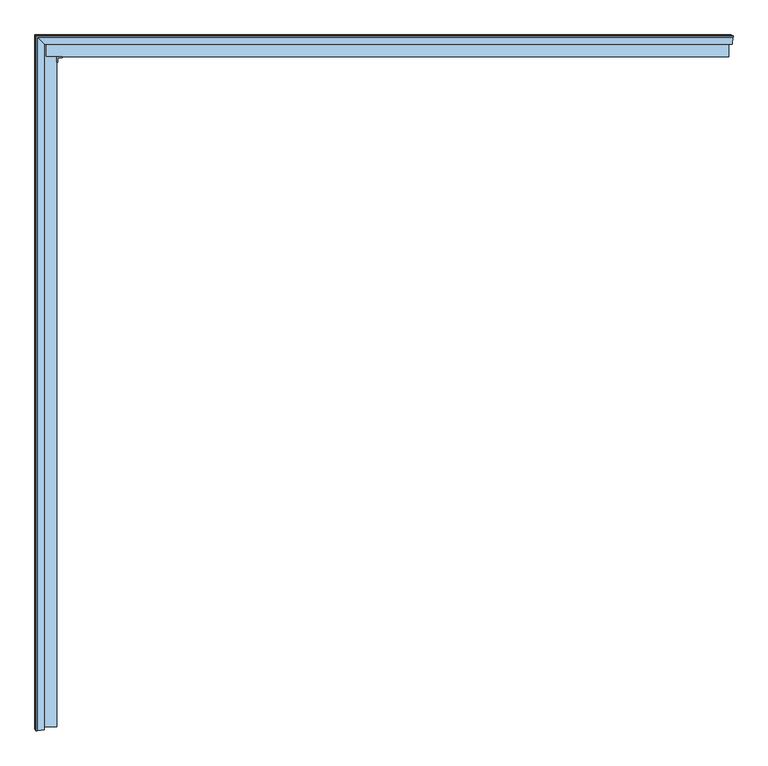
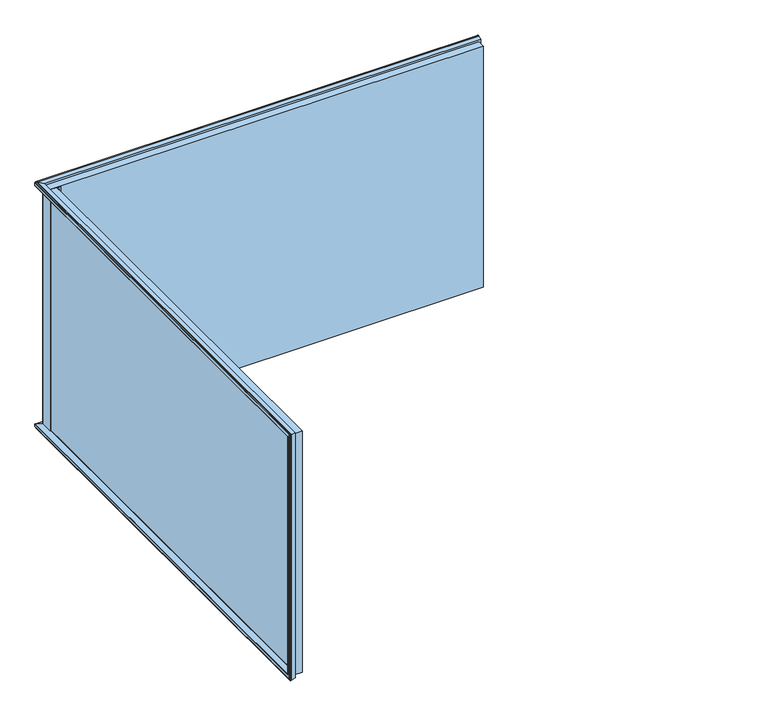
"""IFC4 building model written with IfcOpenShell, lengths in millimetres: window geometry."""

from ifc_helpers import new_model, si_unit, frame, origin, place, context, project, spatial, polyline, circle_curve, ellipse_curve, outline, extrude, source, transform, mapped, element, save
from ifc_brep_helpers import plane_surface, cylinder_surface, revolved_surface, advanced_brep


def window_ba0e3c48(model_context):
    return source(origin(), model_context, "Body", "SolidModel", [
        advanced_brep(
        [(-801.9868914, 129.3877115, 861.9868914), (-801.9868914, 128.0, 861.9868914), (-801.9868914, 128.0, 1938.0131086), (-801.9868914, 129.3877115, 1938.0131086), (-2616.8447974, 129.3877115, 861.9868914), (-2616.8447974, 129.0999079, 861.9868914), (-2669.8448004, 129.0999079, 861.9868914), (-2669.8448004, 76.0999848, 861.9868914), (-2670.1325951, 76.0999848, 861.9868914), (-2670.1325951, -1732.6542957, 861.9868914), (-2668.7448836, -1732.6542957, 861.9868914), (-2668.7448836, 128.0, 861.9868914), (-794.8313687, 152.7923717, 854.8313687), (-2693.5372553, 152.7923717, 854.8313687), (-2672.3590095, 131.6141259, 861.3062082), (-2670.9448004, 132.1999079, 861.1271167), (-2616.8447974, 132.1999079, 861.1271167), (-2616.8447974, 129.0999079, 1938.0131086), (-2616.8447974, 132.1999079, 1938.8728833), (-2616.8447974, 129.3877115, 1938.0131086), (-2669.8448004, 129.0999079, 1938.0131086), (-2669.8448004, 76.0999848, 1938.0131086), (-2672.9448004, 76.0999848, 1938.872886), (-2672.9448004, 76.0999848, 861.127114), (-2670.1325951, 76.0999848, 1938.0131086), (-2693.5372553, -1739.8098184, 854.8313687), (-2672.9448004, 130.1999079, 861.127114), (-2670.1325951, -1732.6542957, 1938.0131086), (-2668.7448836, -1732.6542957, 1938.0131086), (-2668.7448836, 128.0, 1938.0131086), (-2668.7448836, 128.0, 1960.7979572), (-2668.7448836, -1755.4391444, 1960.7979572), (-2668.7448836, -1755.4391444, 839.2020428), (-2668.7448836, 128.0, 839.2020428), (-779.2020428, 128.0, 839.2020428), (-779.2020428, 128.0, 1960.7979572), (-777.2478639, 146.9855585, 837.2478639), (-777.2478639, 146.9855585, 1962.7521361), (-2687.7304421, 146.9855585, 837.2478639), (-2687.7304421, -1757.3933232, 837.2478639), (-2687.7304421, 146.9855585, 836.45), (-776.45, 146.9855585, 836.45), (-776.45, 146.9855585, 1963.55), (-2687.7304421, 146.9855585, 1963.55), (-2687.7304421, 146.9855585, 1962.7521361), (-776.45, 151.0, 836.45), (-776.45, 151.0, 1963.55), (-2687.7304421, -1758.1911871, 836.45), (-2691.7448836, -1758.1911871, 836.45), (-2691.7448836, 151.0, 836.45), (-2687.7304421, -1757.3933232, 1962.7521361), (-2687.7304421, -1758.1911871, 1963.55), (-2691.7448836, -1758.1911871, 1963.55), (-2692.2448836, -1757.6911871, 836.95), (-2692.2448836, 151.5, 836.95), (-776.95, 151.5, 836.95), (-2692.2448836, 151.5, 840.7786866), (-780.7786866, 151.5, 840.7786866), (-780.7786866, 151.5, 1959.2213134), (-2692.2448836, 151.5, 1959.2213134), (-2692.2448836, 151.5, 1963.05), (-776.95, 151.5, 1963.05), (-780.7786866, 152.5, 840.7786866), (-780.7786866, 152.5, 1959.2213134), (-2692.2448836, -1753.8625005, 840.7786866), (-2693.2448836, -1753.8625005, 840.7786866), (-2693.2448836, 152.5, 840.7786866), (-2692.2448836, -1757.6911871, 1963.05), (-2692.2448836, -1753.8625005, 1959.2213134), (-2693.2448836, -1753.8625005, 1959.2213134), (-2694.2448836, -1752.8625005, 841.7786866), (-2694.2448836, 153.5, 841.7786866), (-781.7786866, 153.5, 841.7786866), (-2694.2448836, 153.5, 853.875064), (-793.875064, 153.5, 853.875064), (-793.875064, 153.5, 1946.124936), (-2694.2448836, 153.5, 1946.124936), (-2694.2448836, 153.5, 1958.2213134), (-781.7786866, 153.5, 1958.2213134), (-794.8313687, 152.7923717, 1945.1686313), (-2694.2448836, -1740.7661232, 853.875064), (-2672.9448004, 130.1999079, 1938.872886), (-2672.3590095, 131.6141259, 1938.6937918), (-2670.9448004, 132.1999079, 1938.8728833), (-2694.2448836, -1752.8625005, 1958.2213134), (-2694.2448836, -1740.7661232, 1946.124936), (-2693.5372553, -1739.8098184, 1945.1686313), (-2691.7448836, 151.0, 1963.55), (-2693.2448836, 152.5, 1959.2213134), (-2693.5372553, 152.7923717, 1945.1686313)],
        [
            (0, 1),
            (1, 2),
            (2, 3),
            (3, 0),
            (0, 4),
            (4, 5),
            (5, 6),
            (6, 7),
            (7, 8),
            (8, 9),
            (9, 10),
            (10, 11),
            (11, 1),
            (12, 13),
            (13, 14),
            (14, 15, ellipse_curve(frame((-2670.9448004, 130.1999079, 861.7385781), z_axis=(0.0, -0.29237170472279733, -0.956304755963017), x_axis=(0.0, -0.956304755963017, 0.292371704722797)), 2.0913835, 2.0)),
            (15, 16),
            (16, 4),
            (0, 12),
            (17, 5),
            (16, 18),
            (18, 19),
            (19, 17),
            (20, 6),
            (17, 20),
            (21, 7),
            (20, 21),
            (22, 23),
            (23, 8),
            (21, 24),
            (24, 22),
            (13, 25),
            (25, 9),
            (23, 26),
            (26, 14, ellipse_curve(frame((-2670.9448004, 130.1999079, 861.7385753), z_axis=(0.29237170472279733, 0.0, -0.956304755963017), x_axis=(0.956304755963017, 0.0, 0.292371704722797)), 2.0913835, 2.0)),
            (9, 27),
            (27, 28),
            (28, 10),
            (28, 29),
            (29, 30),
            (30, 31),
            (31, 32),
            (32, 33),
            (33, 11),
            (33, 34),
            (34, 35),
            (35, 30),
            (29, 2),
            (34, 36),
            (36, 37),
            (37, 35),
            (33, 38),
            (38, 36),
            (32, 39),
            (39, 38),
            (38, 40),
            (40, 41),
            (41, 42),
            (42, 43),
            (43, 44),
            (44, 37),
            (41, 45),
            (45, 46),
            (46, 42),
            (40, 47),
            (47, 48),
            (48, 49),
            (49, 45),
            (39, 50),
            (50, 44),
            (43, 51),
            (51, 47),
            (51, 52),
            (52, 48),
            (48, 53, ellipse_curve(frame((-2691.7448836, -1757.6911871, 836.95), z_axis=(0.0, 0.7071067811865475, -0.7071067811865475), x_axis=(0.0, 0.7071067811865476, 0.7071067811865474)), 0.7071068, 0.5)),
            (53, 54),
            (54, 49, ellipse_curve(frame((-2691.7448836, 151.0, 836.95), z_axis=(-0.7071067811865475, -0.7071067811865475, 0.0), x_axis=(-0.7071067811865474, 0.7071067811865476, 0.0)), 0.7071068, 0.5)),
            (54, 55),
            (55, 45, ellipse_curve(frame((-776.95, 151.0, 836.95), z_axis=(-0.7071067811865475, 0.0, -0.7071067811865475), x_axis=(0.7071067811865476, 0.0, -0.7071067811865474)), 0.7071068, 0.5)),
            (54, 56),
            (56, 57),
            (57, 58),
            (58, 59),
            (59, 60),
            (60, 61),
            (61, 55),
            (61, 46, ellipse_curve(frame((-776.95, 151.0, 1963.05), z_axis=(0.7071067811865475, 0.0, -0.7071067811865475), x_axis=(0.7071067811865474, 0.0, 0.7071067811865476)), 0.7071068, 0.5)),
            (57, 62),
            (62, 63),
            (63, 58),
            (56, 64),
            (64, 65),
            (65, 66),
            (66, 62),
            (53, 67),
            (67, 60),
            (59, 68),
            (68, 64),
            (68, 69),
            (69, 65),
            (65, 70, ellipse_curve(frame((-2693.2448836, -1752.8625005, 841.7786866), z_axis=(0.0, 0.7071067811865475, -0.7071067811865475), x_axis=(0.0, 0.7071067811865476, 0.7071067811865474)), 1.4142136, 1.0)),
            (70, 71),
            (71, 66, ellipse_curve(frame((-2693.2448836, 152.5, 841.7786866), z_axis=(-0.7071067811865475, -0.7071067811865475, 0.0), x_axis=(-0.7071067811865474, 0.7071067811865476, 0.0)), 1.4142136, 1.0)),
            (71, 72),
            (72, 62, ellipse_curve(frame((-781.7786866, 152.5, 841.7786866), z_axis=(-0.7071067811865475, 0.0, -0.7071067811865475), x_axis=(0.7071067811865476, 0.0, -0.7071067811865474)), 1.4142136, 1.0)),
            (71, 73),
            (73, 74),
            (74, 75),
            (75, 76),
            (76, 77),
            (77, 78),
            (78, 72),
            (78, 63, ellipse_curve(frame((-781.7786866, 152.5, 1958.2213134), z_axis=(0.7071067811865475, 0.0, -0.7071067811865475), x_axis=(0.7071067811865474, 0.0, 0.7071067811865476)), 1.4142136, 1.0)),
            (74, 12, ellipse_curve(frame((-793.875064, 152.5, 853.875064), z_axis=(0.7071067811865475, 0.0, 0.7071067811865475), x_axis=(-0.7071067811865474, 0.0, 0.7071067811865476)), 1.4142136, 1.0)),
            (12, 79),
            (79, 75, ellipse_curve(frame((-793.875064, 152.5, 1946.124936), z_axis=(0.7071067811865475, 0.0, -0.7071067811865475), x_axis=(0.7071067811865474, 0.0, 0.7071067811865476)), 1.4142136, 1.0)),
            (73, 13, ellipse_curve(frame((-2693.2448836, 152.5, 853.875064), z_axis=(0.7071067811865475, 0.7071067811865475, 0.0), x_axis=(0.7071067811865476, -0.7071067811865474, 0.0)), 1.4142136, 1.0)),
            (73, 80),
            (80, 25, ellipse_curve(frame((-2693.2448836, -1740.7661232, 853.875064), z_axis=(0.0, 0.7071067811865475, -0.7071067811865475), x_axis=(0.0, 0.7071067811865476, 0.7071067811865474)), 1.4142136, 1.0)),
            (26, 81),
            (81, 82, ellipse_curve(frame((-2670.9448004, 130.1999079, 1938.2614247), z_axis=(-0.29237170472279733, 0.0, -0.956304755963017), x_axis=(-0.956304755963017, 0.0, 0.292371704722797)), 2.0913835, 2.0)),
            (82, 83, ellipse_curve(frame((-2670.9448004, 130.1999079, 1938.2614219), z_axis=(0.0, 0.29237170472279733, -0.956304755963017), x_axis=(0.0, 0.956304755963017, 0.292371704722797)), 2.0913835, 2.0)),
            (83, 15),
            (83, 18),
            (3, 79),
            (31, 50),
            (52, 67, ellipse_curve(frame((-2691.7448836, -1757.6911871, 1963.05), z_axis=(0.0, -0.7071067811865475, -0.7071067811865475), x_axis=(0.0, 0.7071067811865474, -0.7071067811865476)), 0.7071068, 0.5)),
            (69, 84, ellipse_curve(frame((-2693.2448836, -1752.8625005, 1958.2213134), z_axis=(0.0, -0.7071067811865475, -0.7071067811865475), x_axis=(0.0, 0.7071067811865474, -0.7071067811865476)), 1.4142136, 1.0)),
            (84, 70),
            (84, 77),
            (76, 85),
            (85, 80),
            (85, 86, ellipse_curve(frame((-2693.2448836, -1740.7661232, 1946.124936), z_axis=(0.0, -0.7071067811865475, -0.7071067811865475), x_axis=(0.0, 0.7071067811865474, -0.7071067811865476)), 1.4142136, 1.0)),
            (86, 25),
            (86, 27),
            (22, 81),
            (27, 24),
            (19, 3),
            (30, 44),
            (46, 87),
            (87, 52),
            (87, 60, ellipse_curve(frame((-2691.7448836, 151.0, 1963.05), z_axis=(-0.7071067811865475, -0.7071067811865475, 0.0), x_axis=(0.7071067811865474, -0.7071067811865476, 0.0)), 0.7071068, 0.5)),
            (63, 88),
            (88, 69),
            (88, 77, ellipse_curve(frame((-2693.2448836, 152.5, 1958.2213134), z_axis=(-0.7071067811865475, -0.7071067811865475, 0.0), x_axis=(0.7071067811865474, -0.7071067811865476, 0.0)), 1.4142136, 1.0)),
            (76, 89, ellipse_curve(frame((-2693.2448836, 152.5, 1946.124936), z_axis=(-0.7071067811865475, -0.7071067811865475, 0.0), x_axis=(0.7071067811865474, -0.7071067811865476, 0.0)), 1.4142136, 1.0)),
            (89, 86),
            (89, 82),
            (79, 89),
        ],
        [
            plane_surface(frame((-801.9868914, 129.3877115, 1938.0131086), z_axis=(-1.0, 0.0, 0.0), x_axis=(0.0, 0.0, -1.0))),
            plane_surface(frame((-801.9868914, 129.3877115, 861.9868914), z_axis=(0.0, 0.0, 1.0), x_axis=(-1.0, 0.0, 0.0))),
            plane_surface(frame((-794.8313687, 152.7923717, 854.8313687), z_axis=(0.0, 0.29237170472279733, 0.956304755963017), x_axis=(-1.0, 0.0, 0.0))),
            plane_surface(frame((-2616.8447974, 129.0999079, 1952.0), z_axis=(1.0, 0.0, 0.0), x_axis=(0.0, 0.0, -1.0))),
            plane_surface(frame((-2669.8448004, 129.0999079, 1952.0), z_axis=(0.0, -1.0, 0.0), x_axis=(0.0, 0.0, -1.0))),
            plane_surface(frame((-2669.8448004, 76.0999848, 1952.0), z_axis=(1.0, 0.0, 0.0), x_axis=(0.0, 0.0, -1.0))),
            plane_surface(frame((-2672.9448004, 76.0999848, 1952.0), z_axis=(0.0, -1.0, 0.0), x_axis=(0.0, 0.0, -1.0))),
            plane_surface(frame((-2693.5372553, 152.7923717, 854.8313687), z_axis=(-0.29237170472279733, 0.0, 0.956304755963017), x_axis=(0.0, -1.0, 0.0))),
            plane_surface(frame((-2670.1325951, -1732.6542957, 861.9868914), z_axis=(0.0, 1.0, 0.0), x_axis=(0.0, 0.0, 1.0))),
            plane_surface(frame((-2668.7448836, 128.0, 861.9868914), z_axis=(1.0, 0.0, 0.0), x_axis=(0.0, -1.0, 0.0))),
            plane_surface(frame((-2668.7448836, 128.0, 1938.0131086), z_axis=(0.0, -1.0, 0.0), x_axis=(1.0, 0.0, 0.0))),
            plane_surface(frame((-779.2020428, 128.0, 1960.7979572), z_axis=(0.9947444563209603, -0.10238880123684094, 0.0), x_axis=(0.0, 0.0, -1.0))),
            plane_surface(frame((-779.2020428, 128.0, 839.2020428), z_axis=(0.0, -0.10238880123684094, -0.9947444563209603), x_axis=(-1.0, 0.0, 0.0))),
            plane_surface(frame((-2668.7448836, 128.0, 839.2020428), z_axis=(0.10238880123684094, 0.0, -0.9947444563209603), x_axis=(0.0, -1.0, 0.0))),
            plane_surface(frame((-2687.7304421, 146.9855585, 1962.7521361), z_axis=(0.0, -1.0, 0.0), x_axis=(1.0, 0.0, 0.0))),
            plane_surface(frame((-776.45, 146.9855585, 1963.55), z_axis=(1.0, 0.0, 0.0), x_axis=(0.0, 0.0, -1.0))),
            plane_surface(frame((-776.45, 146.9855585, 836.45), z_axis=(0.0, 0.0, -1.0), x_axis=(-1.0, 0.0, 0.0))),
            plane_surface(frame((-2687.7304421, 146.9855585, 837.2478639), z_axis=(1.0, 0.0, 0.0), x_axis=(0.0, -1.0, 0.0))),
            plane_surface(frame((-2687.7304421, -1758.1911871, 836.45), z_axis=(0.0, -1.0, 0.0), x_axis=(0.0, 0.0, 1.0))),
            cylinder_surface(frame((-2691.7448836, 128.0, 836.95), z_axis=(0.0, 1.0, 0.0), x_axis=(0.0, 0.0, -1.0)), 0.5),
            cylinder_surface(frame((-788.0, 151.0, 836.95), z_axis=(1.0, 0.0, 0.0), x_axis=(0.0, 0.0, -1.0)), 0.5),
            plane_surface(frame((-2692.2448836, 151.5, 1963.05), z_axis=(0.0, 1.0, 0.0), x_axis=(1.0, 0.0, 0.0))),
            cylinder_surface(frame((-776.95, 151.0, 1952.0), z_axis=(0.0, 0.0, 1.0), x_axis=(1.0, 0.0, 0.0)), 0.5),
            plane_surface(frame((-780.7786866, 151.5, 1959.2213134), z_axis=(1.0, 0.0, 0.0), x_axis=(0.0, 0.0, -1.0))),
            plane_surface(frame((-780.7786866, 151.5, 840.7786866), z_axis=(0.0, 0.0, -1.0), x_axis=(-1.0, 0.0, 0.0))),
            plane_surface(frame((-2692.2448836, 151.5, 836.95), z_axis=(-1.0, 0.0, 0.0), x_axis=(0.0, -1.0, 0.0))),
            plane_surface(frame((-2692.2448836, -1753.8625005, 840.7786866), z_axis=(0.0, -1.0, 0.0), x_axis=(0.0, 0.0, 1.0))),
            cylinder_surface(frame((-2693.2448836, 128.0, 841.7786866), z_axis=(0.0, 1.0, 0.0), x_axis=(0.0, 0.0, -1.0)), 1.0),
            cylinder_surface(frame((-788.0, 152.5, 841.7786866), z_axis=(1.0, 0.0, 0.0), x_axis=(0.0, 0.0, -1.0)), 1.0),
            plane_surface(frame((-2694.2448836, 153.5, 1958.2213134), z_axis=(0.0, 1.0, 0.0), x_axis=(1.0, 0.0, 0.0))),
            cylinder_surface(frame((-781.7786866, 152.5, 1952.0), z_axis=(0.0, 0.0, 1.0), x_axis=(1.0, 0.0, 0.0)), 1.0),
            cylinder_surface(frame((-793.875064, 152.5, 1952.0), z_axis=(0.0, 0.0, 1.0), x_axis=(1.0, 0.0, 0.0)), 1.0),
            cylinder_surface(frame((-788.0, 152.5, 853.875064), z_axis=(1.0, 0.0, 0.0), x_axis=(0.0, 0.0, -1.0)), 1.0),
            cylinder_surface(frame((-2693.2448836, 128.0, 853.875064), z_axis=(0.0, 1.0, 0.0), x_axis=(0.0, 0.0, -1.0)), 1.0),
            cylinder_surface(frame((-2670.9448004, 130.1999079, 1952.0), z_axis=(0.0, 0.0, 1.0), x_axis=(-1.0, 0.0, 0.0)), 2.0),
            plane_surface(frame((-2616.8447974, 132.1999079, 1952.0), z_axis=(0.0, 1.0, 0.0), x_axis=(0.0, 0.0, -1.0))),
            plane_surface(frame((-794.8313687, 152.7923717, 1945.1686313), z_axis=(-0.956304755963017, 0.29237170472279733, 0.0), x_axis=(0.0, 0.0, -1.0))),
            plane_surface(frame((-2668.7448836, -1755.4391444, 839.2020428), z_axis=(0.10238880123684094, -0.9947444563209603, 0.0), x_axis=(0.0, 0.0, 1.0))),
            cylinder_surface(frame((-2691.7448836, -1757.6911871, 848.0), z_axis=(0.0, 0.0, -1.0), x_axis=(0.0, -1.0, 0.0)), 0.5),
            cylinder_surface(frame((-2693.2448836, -1752.8625005, 848.0), z_axis=(0.0, 0.0, -1.0), x_axis=(0.0, -1.0, 0.0)), 1.0),
            plane_surface(frame((-2694.2448836, 153.5, 841.7786866), z_axis=(-1.0, 0.0, 0.0), x_axis=(0.0, -1.0, 0.0))),
            cylinder_surface(frame((-2693.2448836, -1740.7661232, 848.0), z_axis=(0.0, 0.0, -1.0), x_axis=(0.0, -1.0, 0.0)), 1.0),
            plane_surface(frame((-2693.5372553, -1739.8098184, 854.8313687), z_axis=(-0.29237170472279733, 0.956304755963017, 0.0), x_axis=(0.0, 0.0, 1.0))),
            plane_surface(frame((-2672.9448004, 130.1999079, 1952.0), z_axis=(-1.0, 0.0, 0.0), x_axis=(0.0, 0.0, -1.0))),
            plane_surface(frame((-2670.1325951, -1732.6542957, 1938.0131086), z_axis=(0.0, 0.0, -1.0), x_axis=(0.0, 1.0, 0.0))),
            plane_surface(frame((-2668.7448836, -1755.4391444, 1960.7979572), z_axis=(0.10238880123684094, 0.0, 0.9947444563209603), x_axis=(0.0, 1.0, 0.0))),
            plane_surface(frame((-2687.7304421, -1758.1911871, 1963.55), z_axis=(0.0, 0.0, 1.0), x_axis=(0.0, 1.0, 0.0))),
            cylinder_surface(frame((-2691.7448836, -1746.6411871, 1963.05), z_axis=(0.0, -1.0, 0.0), x_axis=(0.0, 0.0, 1.0)), 0.5),
            plane_surface(frame((-2692.2448836, -1753.8625005, 1959.2213134), z_axis=(0.0, 0.0, 1.0), x_axis=(0.0, 1.0, 0.0))),
            cylinder_surface(frame((-2693.2448836, -1746.6411871, 1958.2213134), z_axis=(0.0, -1.0, 0.0), x_axis=(0.0, 0.0, 1.0)), 1.0),
            cylinder_surface(frame((-2693.2448836, -1746.6411871, 1946.124936), z_axis=(0.0, -1.0, 0.0), x_axis=(0.0, 0.0, 1.0)), 1.0),
            plane_surface(frame((-2693.5372553, -1739.8098184, 1945.1686313), z_axis=(-0.29237170472279733, 0.0, -0.956304755963017), x_axis=(0.0, 1.0, 0.0))),
            plane_surface(frame((-2668.7448836, 128.0, 1960.7979572), z_axis=(0.0, -0.10238880123684094, 0.9947444563209603), x_axis=(1.0, 0.0, 0.0))),
            cylinder_surface(frame((-2668.7448836, 151.0, 1963.05), z_axis=(-1.0, 0.0, 0.0), x_axis=(0.0, 0.0, 1.0)), 0.5),
            cylinder_surface(frame((-2668.7448836, 152.5, 1958.2213134), z_axis=(-1.0, 0.0, 0.0), x_axis=(0.0, 0.0, 1.0)), 1.0),
            cylinder_surface(frame((-2668.7448836, 152.5, 1946.124936), z_axis=(-1.0, 0.0, 0.0), x_axis=(0.0, 0.0, 1.0)), 1.0),
            plane_surface(frame((-2693.5372553, 152.7923717, 1945.1686313), z_axis=(0.0, 0.29237170472279733, -0.956304755963017), x_axis=(1.0, 0.0, 0.0))),
        ],
        [
            (0, [[1, 2, 3, 4]]),
            (1, [[-1, 5, 6, 7, 8, 9, 10, 11, 12, 13]]),
            (2, [[14, 15, 16, 17, 18, -5, 19]]),
            (3, [[20, -6, -18, 21, 22, 23]]),
            (4, [[24, -7, -20, 25]]),
            (5, [[26, -8, -24, 27]]),
            (6, [[28, 29, -9, -26, 30, 31]]),
            (7, [[32, 33, -10, -29, 34, 35, -15]]),
            (8, [[-11, 36, 37, 38]]),
            (9, [[-12, -38, 39, 40, 41, 42, 43, 44]]),
            (10, [[-13, -44, 45, 46, 47, -40, 48, -2]]),
            (11, [[49, 50, 51, -46]]),
            (12, [[-49, -45, 52, 53]]),
            (13, [[-52, -43, 54, 55]]),
            (14, [[-53, 56, 57, 58, 59, 60, 61, -50]]),
            (15, [[62, 63, 64, -58]]),
            (16, [[-62, -57, 65, 66, 67, 68]]),
            (17, [[-65, -56, -55, 69, 70, -60, 71, 72]]),
            (18, [[-66, -72, 73, 74]]),
            (19, [[-67, 75, 76, 77]]),
            (20, [[-68, -77, 78, 79]]),
            (21, [[-78, 80, 81, 82, 83, 84, 85, 86]]),
            (22, [[-79, -86, 87, -63]]),
            (23, [[88, 89, 90, -82]]),
            (24, [[-88, -81, 91, 92, 93, 94]]),
            (25, [[-91, -80, -76, 95, 96, -84, 97, 98]]),
            (26, [[-92, -98, 99, 100]]),
            (27, [[-93, 101, 102, 103]]),
            (28, [[-94, -103, 104, 105]]),
            (29, [[-104, 106, 107, 108, 109, 110, 111, 112]]),
            (30, [[-105, -112, 113, -89]]),
            (31, [[114, 115, 116, -108]]),
            (32, [[-114, -107, 117, -14]]),
            (33, [[-117, 118, 119, -32]]),
            (34, [[120, 121, 122, 123, -16, -35]]),
            (35, [[-21, -17, -123, 124]]),
            (36, [[-19, -4, 125, -115]]),
            (37, [[-42, 126, -69, -54]]),
            (38, [[-75, -74, 127, -95]]),
            (39, [[-101, -100, 128, 129]]),
            (40, [[-102, -129, 130, -110, 131, 132, -118, -106]]),
            (41, [[-132, 133, 134, -119]]),
            (42, [[-33, -134, 135, -36]]),
            (43, [[-120, -34, -28, 136]]),
            (44, [[-39, -37, 137, -30, -27, -25, -23, 138, -3, -48]]),
            (45, [[-41, 139, -70, -126]]),
            (46, [[-71, -59, -64, 140, 141, -73]]),
            (47, [[-96, -127, -141, 142]]),
            (48, [[-97, -83, -90, 143, 144, -99]]),
            (49, [[-130, -128, -144, 145]]),
            (50, [[-131, 146, 147, -133]]),
            (51, [[-135, -147, 148, -121, -136, -31, -137]]),
            (52, [[-139, -47, -51, -61]]),
            (53, [[-140, -87, -85, -142]]),
            (54, [[-143, -113, -111, -145]]),
            (55, [[-146, -109, -116, 149]]),
            (56, [[-149, -125, -138, -22, -124, -122, -148]]),
        ],
    ),
        advanced_brep(
        [(-2631.6442834, 77.8993997, 848.0), (-2634.7448836, 77.8993997, 848.0), (-2634.7448836, 94.0, 848.0), (-2618.6442834, 94.0, 848.0), (-2618.6442834, 90.8993997, 848.0), (-2630.6442834, 90.8993997, 848.0), (-2631.6442834, 89.8993997, 848.0), (-2631.6442834, 77.8993997, 1952.0), (-2634.7448836, 77.8993997, 1952.0), (-2634.7448836, 94.0, 1952.0), (-2618.6442834, 94.0, 1952.0), (-2618.6442834, 90.8993997, 1952.0), (-2630.6442834, 90.8993997, 1952.0), (-2631.6442834, 89.8993997, 1952.0)],
        [
            (0, 1),
            (1, 2),
            (2, 3),
            (3, 4),
            (4, 5),
            (5, 6, circle_curve(frame((-2630.6442834, 89.8993997, 848.0), z_axis=(0.0, 0.0, 1.0), x_axis=(-1.0, 0.0, 0.0)), 1.0)),
            (6, 0),
            (7, 8),
            (8, 1),
            (0, 7),
            (8, 9),
            (9, 2),
            (9, 10),
            (10, 3),
            (10, 11),
            (11, 4),
            (11, 12),
            (12, 5),
            (12, 13, circle_curve(frame((-2630.6442834, 89.8993997, 1952.0), z_axis=(0.0, 0.0, 1.0), x_axis=(-1.0, 0.0, 0.0)), 1.0)),
            (13, 6),
            (13, 7),
        ],
        [
            plane_surface(frame((-2668.7448836, 128.0, 848.0), z_axis=(0.0, 0.0, -1.0), x_axis=(-1.0, 0.0, 0.0))),
            plane_surface(frame((-2634.7448836, 77.8993997, 1952.0), z_axis=(0.0, -1.0, 0.0), x_axis=(0.0, 0.0, -1.0))),
            plane_surface(frame((-2634.7448836, 94.0, 1952.0), z_axis=(-1.0, 0.0, 0.0), x_axis=(0.0, 0.0, -1.0))),
            plane_surface(frame((-2618.6442834, 94.0, 1952.0), z_axis=(0.0, 1.0, 0.0), x_axis=(0.0, 0.0, -1.0))),
            plane_surface(frame((-2618.6442834, 90.8993997, 1952.0), z_axis=(1.0, 0.0, 0.0), x_axis=(0.0, 0.0, -1.0))),
            plane_surface(frame((-2630.6442834, 90.8993997, 1952.0), z_axis=(0.0, -1.0, 0.0), x_axis=(0.0, 0.0, -1.0))),
            revolved_surface(polyline([(-2631.6442834, 89.8993997, 848.0), (-2631.6442834, 89.8993997, 1952.0)]), (-2630.6442834, 89.8993997, 1952.0), (0.0, 0.0, -1.0)),
            plane_surface(frame((-2631.6442834, 77.8993997, 1952.0), z_axis=(1.0, 0.0, 0.0), x_axis=(0.0, 0.0, -1.0))),
            plane_surface(frame((-2668.7448836, 128.0, 1952.0), z_axis=(0.0, 0.0, 1.0), x_axis=(-1.0, 0.0, 0.0))),
        ],
        [
            (0, [[1, 2, 3, 4, 5, 6, 7]]),
            (1, [[8, 9, -1, 10]]),
            (2, [[11, 12, -2, -9]]),
            (3, [[13, 14, -3, -12]]),
            (4, [[15, 16, -4, -14]]),
            (5, [[17, 18, -5, -16]]),
            (6, [[19, 20, -6, -18]]),
            (7, [[21, -10, -7, -20]]),
            (8, [[-21, -19, -17, -15, -13, -11, -8]]),
        ],
    ),
        extrude(outline(polyline([(-2634.7448836, -1746.6411871), (-2668.7448836, -1746.6411871), (-2668.7448836, 89.0), (-2668.7448836, 128.0), (-2664.7448836, 128.0), (-2664.7448836, 94.0), (-2634.7448836, 94.0), (-2634.7448836, -1746.6411871)])), frame((0.0, 0.0, 848.0), z_axis=(0.0, 0.0, 1.0), x_axis=(1.0, 0.0, 0.0)), (0.0, 0.0, 1.0), 1104.0),
        extrude(outline(polyline([(-2664.7448836, 94.0), (-2664.7448836, 128.0), (-788.0, 128.0), (-788.0, 94.0), (-2664.7448836, 94.0)])), frame((0.0, 0.0, 848.0), z_axis=(0.0, 0.0, 1.0), x_axis=(1.0, 0.0, 0.0)), (0.0, 0.0, 1.0), 1104.0),
    ])


if __name__ == "__main__":
    model = new_model("IFC4")
    model_context = context("Model", 3, world=origin())
    ifc_project = project(units=[si_unit("LENGTHUNIT", "METRE", prefix="MILLI")], contexts=[model_context])
    site = spatial("IfcSite", under=ifc_project)
    building = spatial("IfcBuilding", under=site)
    placement = place(None, origin())
    window_shape = window_ba0e3c48(model_context)
    element("IfcWindow", 1, at=placement, inside=building, context=model_context, shape_type="MappedRepresentation", body=[
        mapped(window_shape, transform((0.0, 0.0, 0.0), x_axis=(1.0, 0.0, 0.0), y_axis=(0.0, 1.0, 0.0), z_axis=(0.0, 0.0, 1.0))),
    ])
    save(model, "model.ifc")
